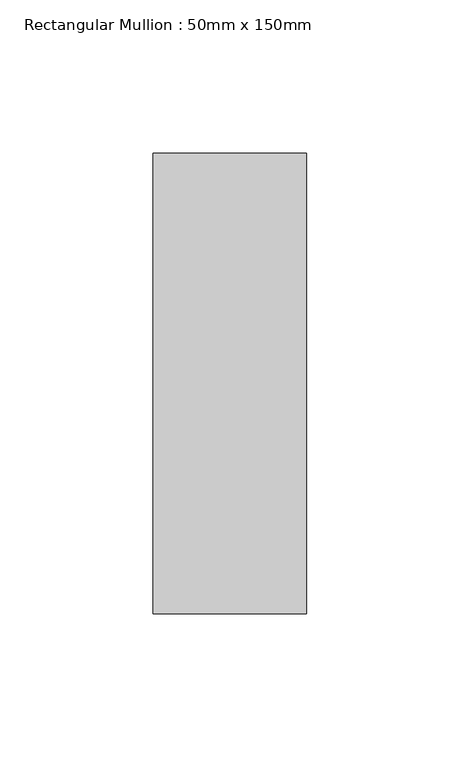
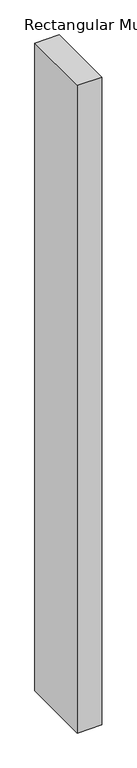
"""IFC4 building model written with IfcOpenShell, lengths in millimetres: member geometry, Rectangular Mullion : 50mm x 150mm."""

import ifcopenshell
import ifcopenshell.guid

model = None  # the IFC model being written
_history = None  # IfcOwnerHistory: only IFC2X3 demands one
_inside = {}  # id of a spatial element -> (the spatial element, [elements in it])
_under = {}  # id of a project, library or spatial element -> (it, [spatial elements below it])
_declared = {}  # id of a project -> (the project, [libraries it declares])
_typed = {}  # id of a type object -> (the type object, [elements of that type])
_made_of = {}  # id of a material, layer set ... -> (it, [elements and type objects made of it])


def new_model(schema):
    """Start an empty IFC model of exactly this schema.

    Asked for "IFC4X3", IfcOpenShell would pick the latest addendum, in which some entities
    have other attributes; the version numbers below select the first issue.
    IFC2X3 requires an IfcOwnerHistory on every rooted entity: one is made here for all.
    """
    global model, _history
    if schema == "IFC4X3":
        model = ifcopenshell.file(schema_version=(4, 3, 0, 0))
    else:
        model = ifcopenshell.file(schema=schema)
    _inside.clear()
    _under.clear()
    _declared.clear()
    _typed.clear()
    _made_of.clear()
    _history = None
    if model.schema == "IFC2X3":
        org = make("IfcOrganization", Name="unknown")
        user = make(
            "IfcPersonAndOrganization",
            ThePerson=make("IfcPerson", FamilyName="unknown"),
            TheOrganization=org,
        )
        app = make(
            "IfcApplication",
            ApplicationDeveloper=org,
            Version="unknown",
            ApplicationFullName="unknown",
            ApplicationIdentifier="unknown",
        )
        _history = make(
            "IfcOwnerHistory",
            OwningUser=user,
            OwningApplication=app,
            ChangeAction="ADDED",
            CreationDate=0,
        )
    return model


def make(cls, **values):
    """One entity of the class cls with the attributes given. An attribute that is None is left unset."""
    return model.create_entity(
        cls, **{name: value for name, value in values.items() if value is not None}
    )


def rooted(cls, **values):
    """An entity with a GlobalId (a new one), such as an element, a storey or a relation."""
    return make(cls, GlobalId=ifcopenshell.guid.new(), OwnerHistory=_history, **values)


def si_unit(unit_type, name, prefix=None):
    """IfcSIUnit, for example si_unit("LENGTHUNIT", "METRE", prefix="MILLI")."""
    return make("IfcSIUnit", UnitType=unit_type, Prefix=prefix, Name=name)


def assignment(units):
    """IfcUnitAssignment: the units of a project."""
    return None if units is None else make("IfcUnitAssignment", Units=units)


def point(xyz):
    """IfcCartesianPoint."""
    return None if xyz is None else make("IfcCartesianPoint", Coordinates=xyz)


def direction(xyz):
    """IfcDirection."""
    return None if xyz is None else make("IfcDirection", DirectionRatios=xyz)


def frame(location, z_axis=None, x_axis=None):
    """IfcAxis2Placement3D, a coordinate frame: its origin and axes. An axis left out is left unset."""
    return make(
        "IfcAxis2Placement3D",
        Location=point(location),
        Axis=direction(z_axis),
        RefDirection=direction(x_axis),
    )


def origin():
    """The frame at (0, 0, 0) with its axes left unset."""
    return frame((0.0, 0.0, 0.0))


def place(relative_to, where):
    """IfcLocalPlacement: puts the frame where relative to a parent placement (None: the world)."""
    return make(
        "IfcLocalPlacement", PlacementRelTo=relative_to, RelativePlacement=where
    )


def context(
    kind, dimensions, precision=None, world=None, true_north=None, identifier=None
):
    """IfcGeometricRepresentationContext, for example the 3D "Model" context."""
    return make(
        "IfcGeometricRepresentationContext",
        ContextIdentifier=identifier,
        ContextType=kind,
        CoordinateSpaceDimension=dimensions,
        Precision=precision,
        WorldCoordinateSystem=world,
        TrueNorth=true_north,
    )


def project(units=None, contexts=None):
    """IfcProject with its units and contexts."""
    return rooted(
        "IfcProject",
        Name="project",
        RepresentationContexts=contexts,
        UnitsInContext=assignment(units),
    )


def spatial(cls, under=None, at=None, **own):
    """A site, building, storey or space (cls), placed at a placement, below another one or the project."""
    s = rooted(cls, ObjectPlacement=at, **own)
    if under is not None:
        _under.setdefault(under.id(), (under, []))[1].append(s)
    return s


def polyline(points):
    """IfcPolyline through the points."""
    return make("IfcPolyline", Points=[point(p) for p in points])


def outline(outer, holes=None, kind="AREA"):
    """IfcArbitraryClosedProfileDef: a profile drawn as a closed curve; with holes, ...WithVoids."""
    if holes is None:
        return make("IfcArbitraryClosedProfileDef", ProfileType=kind, OuterCurve=outer)
    return make(
        "IfcArbitraryProfileDefWithVoids",
        ProfileType=kind,
        OuterCurve=outer,
        InnerCurves=holes,
    )


def extrude(swept, where, along, depth):
    """IfcExtrudedAreaSolid: the profile swept, set in the frame where, extruded along a direction by depth."""
    return make(
        "IfcExtrudedAreaSolid",
        SweptArea=swept,
        Position=where,
        ExtrudedDirection=direction(along),
        Depth=depth,
    )


def shape(context_of_items, identifier, shape_type, items):
    """IfcShapeRepresentation: the items that make up one representation, for example the "Body"."""
    return make(
        "IfcShapeRepresentation",
        ContextOfItems=context_of_items,
        RepresentationIdentifier=identifier,
        RepresentationType=shape_type,
        Items=items,
    )


def source(mapping_origin, context_of_items, identifier, shape_type, items):
    """IfcRepresentationMap: a shape defined once, which mapped items show again and again."""
    return make(
        "IfcRepresentationMap",
        MappingOrigin=mapping_origin,
        MappedRepresentation=shape(context_of_items, identifier, shape_type, items),
    )


def transform(
    local_origin,
    x_axis=None,
    y_axis=None,
    z_axis=None,
    scale=None,
    scale2=None,
    scale3=None,
    uniform=True,
):
    """IfcCartesianTransformationOperator3D, or its non-uniform kind. x_axis, y_axis, z_axis: its Axis1, 2, 3."""
    if uniform:
        return make(
            "IfcCartesianTransformationOperator3D",
            Axis1=direction(x_axis),
            Axis2=direction(y_axis),
            LocalOrigin=point(local_origin),
            Scale=scale,
            Axis3=direction(z_axis),
        )
    return make(
        "IfcCartesianTransformationOperator3DnonUniform",
        Axis1=direction(x_axis),
        Axis2=direction(y_axis),
        LocalOrigin=point(local_origin),
        Scale=scale,
        Axis3=direction(z_axis),
        Scale2=scale2,
        Scale3=scale3,
    )


def mapped(mapping_source, mapping_target):
    """IfcMappedItem: shows the shape of a source again, moved by a transform."""
    return make(
        "IfcMappedItem", MappingSource=mapping_source, MappingTarget=mapping_target
    )


def made_of(thing, what):
    """Note that an element or type object is made of a material, layer set ...; save() writes the relation."""
    if what is not None:
        _made_of.setdefault(what.id(), (what, []))[1].append(thing)
    return thing


def element(
    cls,
    number,
    at=None,
    inside=None,
    cuts=None,
    type_object=None,
    material=None,
    context=None,
    identifier="Body",
    shape_type=None,
    held_by="IfcProductDefinitionShape",
    body=None,
    shapes=None,
    **own,
):
    """One element of the class cls, such as IfcWall. Its Tag is "e" and its number.

    at: its placement. inside: the storey or other place that contains it. cuts: it is an
    opening in that element (IfcRelVoidsElement). A single representation is given by context,
    identifier, shape_type and body (its items); several are given by shapes. held_by: the class
    of the entity that holds the representations. save() writes the other relations.
    """
    e = rooted(cls, Tag="e%d" % number, ObjectPlacement=at, **own)
    if body is not None:
        shapes = [shape(context, identifier, shape_type, body)]
    if shapes is not None:
        e.Representation = make(held_by, Representations=shapes)
    if inside is not None:
        _inside.setdefault(inside.id(), (inside, []))[1].append(e)
    if cuts is not None:
        rooted(
            "IfcRelVoidsElement", RelatingBuildingElement=cuts, RelatedOpeningElement=e
        )
    if type_object is not None:
        _typed.setdefault(type_object.id(), (type_object, []))[1].append(e)
    return made_of(e, material)


def aggregate(whole, parts):
    """IfcRelAggregates: a whole, such as a stair, and the parts it consists of."""
    return rooted("IfcRelAggregates", RelatingObject=whole, RelatedObjects=parts)


def save(model, path):
    """Write the relations noted so far, then the file.

    IfcRelAggregates (storeys below a building ...), IfcRelContainedInSpatialStructure (elements
    in a storey), IfcRelDefinesByType, IfcRelAssociatesMaterial and IfcRelDeclares: one each for
    every whole, place, type object, material and project.
    """
    for whole, parts in _under.values():
        aggregate(whole, parts)
    for where, things in _inside.values():
        rooted(
            "IfcRelContainedInSpatialStructure",
            RelatedElements=things,
            RelatingStructure=where,
        )
    for kind, things in _typed.values():
        rooted("IfcRelDefinesByType", RelatedObjects=things, RelatingType=kind)
    for what, things in _made_of.values():
        rooted("IfcRelAssociatesMaterial", RelatedObjects=things, RelatingMaterial=what)
    for by, libraries in _declared.values():
        rooted("IfcRelDeclares", RelatingContext=by, RelatedDefinitions=libraries)
    model.write(path)


def rectangular_mullion_50mm_x_150mm_e25a309f(model_context):
    return source(origin(), model_context, "Body", "SweptSolid", [
        extrude(outline(polyline([(0.0, 75.0), (0.0, -75.0), (-50.0, -75.0), (-50.0, 75.0), (0.0, 75.0)])), frame((0.0, 0.0, -1397.8571431), z_axis=(0.0, 0.0, 1.0), x_axis=(1.0, 0.0, 0.0)), (0.0, 0.0, 1.0), 1397.8571431),
    ])


if __name__ == "__main__":
    model = new_model("IFC4")
    model_context = context("Model", 3, world=origin())
    ifc_project = project(units=[si_unit("LENGTHUNIT", "METRE", prefix="MILLI")], contexts=[model_context])
    site = spatial("IfcSite", under=ifc_project)
    building = spatial("IfcBuilding", under=site)
    placement = place(None, origin())
    rectangular_mullion_50mm_x_150mm_shape = rectangular_mullion_50mm_x_150mm_e25a309f(model_context)
    element("IfcMember", 1, ObjectType="Rectangular Mullion : 50mm x 150mm", at=placement, inside=building, context=model_context, shape_type="MappedRepresentation", body=[
        mapped(rectangular_mullion_50mm_x_150mm_shape, transform((0.0, 0.0, 0.0), x_axis=(1.0, 0.0, 0.0), y_axis=(0.0, 1.0, 0.0), z_axis=(0.0, 0.0, 1.0))),
    ])
    save(model, "model.ifc")
